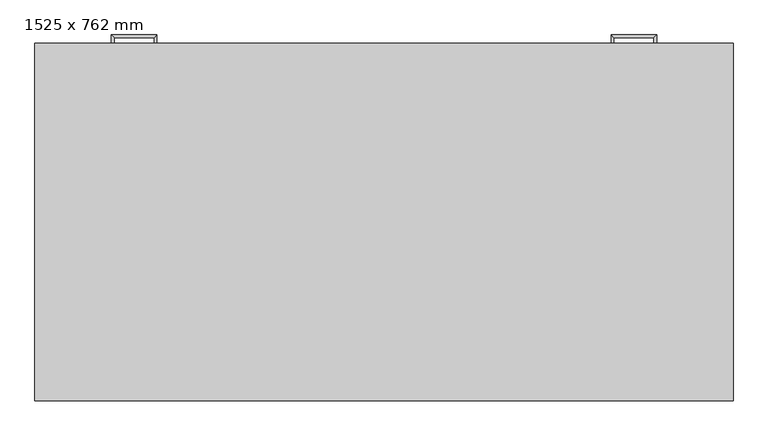
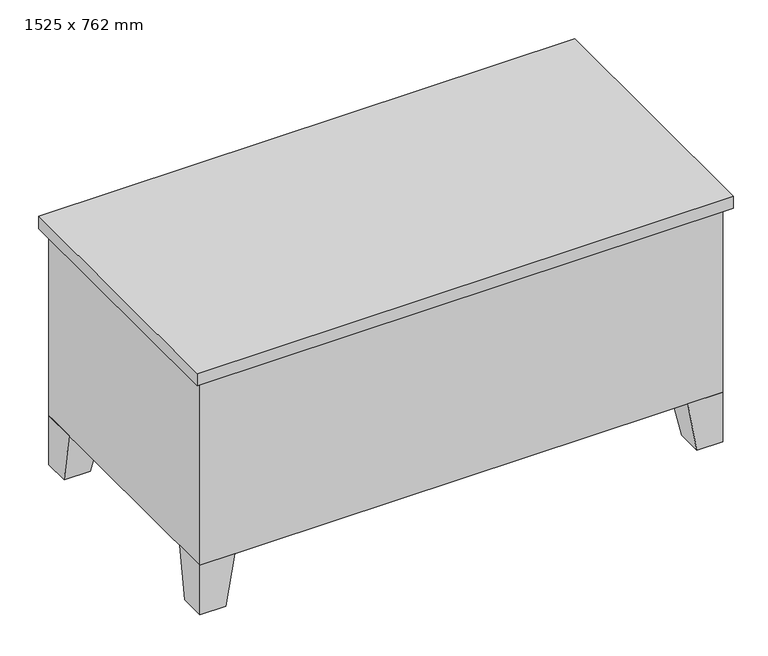
"""IFC4 building model written with IfcOpenShell, lengths in millimetres: furniture geometry, 1525 x 762 mm."""

from ifc_helpers import new_model, si_unit, frame, origin, place, context, project, spatial, polyline, outline, extrude, faceted_brep, source, transform, mapped, element, save


def furniture_1525_x_762_mm_aed207d5(model_context):
    return source(origin(), model_context, "Body", "SolidModel", [
        extrude(outline(polyline([(1505.95, 762.0), (1137.65, 762.0), (1137.65, 774.7), (1505.95, 774.7), (1505.95, 762.0)])), frame((0.0, 0.0, 603.25), z_axis=(0.0, 0.0, 1.0), x_axis=(1.0, 0.0, 0.0)), (0.0, 0.0, 1.0), 101.6),
        extrude(outline(polyline([(1505.95, 762.0), (1137.65, 762.0), (1137.65, 774.7), (1505.95, 774.7), (1505.95, 762.0)])), frame((0.0, 0.0, 171.05), z_axis=(0.0, 0.0, 1.0), x_axis=(1.0, 0.0, 0.0)), (0.0, 0.0, 1.0), 413.15),
        extrude(outline(polyline([(387.35, 762.0), (19.05, 762.0), (19.05, 774.7), (387.35, 774.7), (387.35, 762.0)])), frame((0.0, 0.0, 602.85), z_axis=(0.0, 0.0, 1.0), x_axis=(1.0, 0.0, 0.0)), (0.0, 0.0, 1.0), 102.0),
        extrude(outline(polyline([(387.35, 762.0), (19.05, 762.0), (19.05, 774.7), (387.35, 774.7), (387.35, 762.0)])), frame((0.0, 0.0, 171.05), z_axis=(0.0, 0.0, 1.0), x_axis=(1.0, 0.0, 0.0)), (0.0, 0.0, 1.0), 171.45),
        extrude(outline(polyline([(387.35, 762.0), (19.05, 762.0), (19.05, 774.7), (387.35, 774.7), (387.35, 762.0)])), frame((0.0, 0.0, 482.2), z_axis=(0.0, 0.0, 1.0), x_axis=(1.0, 0.0, 0.0)), (0.0, 0.0, 1.0), 101.6),
        extrude(outline(polyline([(387.35, 762.0), (19.05, 762.0), (19.05, 774.7), (387.35, 774.7), (387.35, 762.0)])), frame((0.0, 0.0, 361.55), z_axis=(0.0, 0.0, 1.0), x_axis=(1.0, 0.0, 0.0)), (0.0, 0.0, 1.0), 101.6),
        faceted_brep([(1423.4, 762.0, 152.0), (1423.4, 660.4, 152.0), (1525.0, 660.4, 152.0), (1525.0, 762.0, 152.0), (1448.8, 762.0, 0.0), (1525.0, 762.0, 0.0), (1525.0, 685.8, 0.0), (1448.8, 685.8, 0.0)], [[[0, 1, 2, 3]], [[4, 5, 6, 7]], [[4, 7, 1, 0]], [[7, 6, 2, 1]], [[6, 5, 3, 2]], [[5, 4, 0, 3]]]),
        faceted_brep([(1423.4, 0.0, 152.0), (1525.0, 0.0, 152.0), (1525.0, 101.6, 152.0), (1423.4, 101.6, 152.0), (1448.8, 0.0, 0.0), (1448.8, 76.2, 0.0), (1525.0, 76.2, 0.0), (1525.0, 0.0, 0.0)], [[[0, 1, 2, 3]], [[4, 5, 6, 7]], [[4, 7, 1, 0]], [[7, 6, 2, 1]], [[6, 5, 3, 2]], [[5, 4, 0, 3]]]),
        faceted_brep([(101.6, 0.0, 152.0), (101.6, 101.6, 152.0), (0.0, 101.6, 152.0), (0.0, 0.0, 152.0), (76.2, 0.0, 0.0), (0.0, 0.0, 0.0), (0.0, 76.2, 0.0), (76.2, 76.2, 0.0)], [[[0, 1, 2, 3]], [[4, 5, 6, 7]], [[4, 7, 1, 0]], [[7, 6, 2, 1]], [[6, 5, 3, 2]], [[5, 4, 0, 3]]]),
        faceted_brep([(101.6, 762.0, 152.0), (0.0, 762.0, 152.0), (0.0, 660.4, 152.0), (101.6, 660.4, 152.0), (76.2, 762.0, 0.0), (76.2, 685.8, 0.0), (0.0, 685.8, 0.0), (0.0, 762.0, 0.0)], [[[0, 1, 2, 3]], [[4, 5, 6, 7]], [[4, 7, 1, 0]], [[7, 6, 2, 1]], [[6, 5, 3, 2]], [[5, 4, 0, 3]]]),
        extrude(outline(polyline([(1544.05, 781.05), (1544.05, -19.05), (-19.05, -19.05), (-19.05, 781.05), (1544.05, 781.05)])), frame((0.0, 0.0, 723.9), z_axis=(0.0, 0.0, 1.0), x_axis=(1.0, 0.0, 0.0)), (0.0, 0.0, 1.0), 38.1),
        extrude(outline(polyline([(406.4, 762.0), (406.4, 50.8), (1118.6, 50.8), (1118.6, 762.0), (1525.0, 762.0), (1525.0, 0.0), (0.0, 0.0), (0.0, 762.0), (406.4, 762.0)])), frame((0.0, 0.0, 152.0), z_axis=(0.0, 0.0, 1.0), x_axis=(1.0, 0.0, 0.0)), (0.0, 0.0, 1.0), 571.9),
        faceted_brep([(1366.25, 774.7, 546.1), (1366.25, 774.7, 533.4), (1372.6, 774.7, 533.4), (1372.6, 774.7, 546.1), (1366.25, 793.75, 546.1), (1366.25, 793.75, 533.4), (1372.6, 800.1, 533.4), (1372.6, 800.1, 546.1), (1277.35, 793.75, 546.1), (1277.35, 793.75, 533.4), (1271.0, 800.1, 533.4), (1271.0, 800.1, 546.1), (1277.35, 774.7, 546.1), (1271.0, 774.7, 546.1), (1271.0, 774.7, 533.4), (1277.35, 774.7, 533.4)], [[[0, 1, 2, 3]], [[1, 0, 4, 5]], [[2, 1, 5, 6]], [[3, 2, 6, 7]], [[0, 3, 7, 4]], [[5, 4, 8, 9]], [[6, 5, 9, 10]], [[7, 6, 10, 11]], [[4, 7, 11, 8]], [[12, 13, 14, 15]], [[9, 8, 12, 15]], [[10, 9, 15, 14]], [[11, 10, 14, 13]], [[8, 11, 13, 12]]]),
        faceted_brep([(1366.25, 774.7, 666.75), (1366.25, 774.7, 654.05), (1372.6, 774.7, 654.05), (1372.6, 774.7, 666.75), (1366.25, 793.75, 666.75), (1366.25, 793.75, 654.05), (1372.6, 800.1, 654.05), (1372.6, 800.1, 666.75), (1277.35, 793.75, 666.75), (1277.35, 793.75, 654.05), (1271.0, 800.1, 654.05), (1271.0, 800.1, 666.75), (1277.35, 774.7, 666.75), (1271.0, 774.7, 666.75), (1271.0, 774.7, 654.05), (1277.35, 774.7, 654.05)], [[[0, 1, 2, 3]], [[1, 0, 4, 5]], [[2, 1, 5, 6]], [[3, 2, 6, 7]], [[0, 3, 7, 4]], [[5, 4, 8, 9]], [[6, 5, 9, 10]], [[7, 6, 10, 11]], [[4, 7, 11, 8]], [[12, 13, 14, 15]], [[9, 8, 12, 15]], [[10, 9, 15, 14]], [[11, 10, 14, 13]], [[8, 11, 13, 12]]]),
        faceted_brep([(158.75, 774.7, 304.8), (152.4, 774.7, 304.8), (152.4, 774.7, 292.1), (158.75, 774.7, 292.1), (158.75, 793.75, 304.8), (152.4, 800.1, 304.8), (152.4, 800.1, 292.1), (158.75, 793.75, 292.1), (247.65, 793.75, 304.8), (254.0, 800.1, 304.8), (254.0, 800.1, 292.1), (247.65, 793.75, 292.1), (247.65, 774.7, 304.8), (247.65, 774.7, 292.1), (254.0, 774.7, 292.1), (254.0, 774.7, 304.8)], [[[0, 1, 2, 3]], [[1, 0, 4, 5]], [[2, 1, 5, 6]], [[3, 2, 6, 7]], [[0, 3, 7, 4]], [[5, 4, 8, 9]], [[6, 5, 9, 10]], [[7, 6, 10, 11]], [[4, 7, 11, 8]], [[12, 13, 14, 15]], [[9, 8, 12, 15]], [[10, 9, 15, 14]], [[11, 10, 14, 13]], [[8, 11, 13, 12]]]),
        faceted_brep([(158.75, 774.7, 425.45), (152.4, 774.7, 425.45), (152.4, 774.7, 412.75), (158.75, 774.7, 412.75), (158.75, 793.75, 425.45), (152.4, 800.1, 425.45), (152.4, 800.1, 412.75), (158.75, 793.75, 412.75), (247.65, 793.75, 425.45), (254.0, 800.1, 425.45), (254.0, 800.1, 412.75), (247.65, 793.75, 412.75), (247.65, 774.7, 425.45), (247.65, 774.7, 412.75), (254.0, 774.7, 412.75), (254.0, 774.7, 425.45)], [[[0, 1, 2, 3]], [[1, 0, 4, 5]], [[2, 1, 5, 6]], [[3, 2, 6, 7]], [[0, 3, 7, 4]], [[5, 4, 8, 9]], [[6, 5, 9, 10]], [[7, 6, 10, 11]], [[4, 7, 11, 8]], [[12, 13, 14, 15]], [[9, 8, 12, 15]], [[10, 9, 15, 14]], [[11, 10, 14, 13]], [[8, 11, 13, 12]]]),
        faceted_brep([(158.75, 774.7, 546.1), (152.4, 774.7, 546.1), (152.4, 774.7, 533.4), (158.75, 774.7, 533.4), (158.75, 793.75, 546.1), (152.4, 800.1, 546.1), (152.4, 800.1, 533.4), (158.75, 793.75, 533.4), (247.65, 793.75, 546.1), (254.0, 800.1, 546.1), (254.0, 800.1, 533.4), (247.65, 793.75, 533.4), (247.65, 774.7, 546.1), (247.65, 774.7, 533.4), (254.0, 774.7, 533.4), (254.0, 774.7, 546.1)], [[[0, 1, 2, 3]], [[1, 0, 4, 5]], [[2, 1, 5, 6]], [[3, 2, 6, 7]], [[0, 3, 7, 4]], [[5, 4, 8, 9]], [[6, 5, 9, 10]], [[7, 6, 10, 11]], [[4, 7, 11, 8]], [[12, 13, 14, 15]], [[9, 8, 12, 15]], [[10, 9, 15, 14]], [[11, 10, 14, 13]], [[8, 11, 13, 12]]]),
        faceted_brep([(158.75, 774.7, 666.75), (152.4, 774.7, 666.75), (152.4, 774.7, 654.05), (158.75, 774.7, 654.05), (158.75, 793.75, 666.75), (152.4, 800.1, 666.75), (152.4, 800.1, 654.05), (158.75, 793.75, 654.05), (247.65, 793.75, 666.75), (254.0, 800.1, 666.75), (254.0, 800.1, 654.05), (247.65, 793.75, 654.05), (247.65, 774.7, 666.75), (247.65, 774.7, 654.05), (254.0, 774.7, 654.05), (254.0, 774.7, 666.75)], [[[0, 1, 2, 3]], [[1, 0, 4, 5]], [[2, 1, 5, 6]], [[3, 2, 6, 7]], [[0, 3, 7, 4]], [[5, 4, 8, 9]], [[6, 5, 9, 10]], [[7, 6, 10, 11]], [[4, 7, 11, 8]], [[12, 13, 14, 15]], [[9, 8, 12, 15]], [[10, 9, 15, 14]], [[11, 10, 14, 13]], [[8, 11, 13, 12]]]),
    ])


if __name__ == "__main__":
    model = new_model("IFC4")
    model_context = context("Model", 3, world=origin())
    ifc_project = project(units=[si_unit("LENGTHUNIT", "METRE", prefix="MILLI")], contexts=[model_context])
    site = spatial("IfcSite", under=ifc_project)
    building = spatial("IfcBuilding", under=site)
    placement = place(None, origin())
    furniture_1525_x_762_mm_shape = furniture_1525_x_762_mm_aed207d5(model_context)
    element("IfcFurniture", 1, ObjectType="1525 x 762 mm", at=placement, inside=building, context=model_context, shape_type="MappedRepresentation", body=[
        mapped(furniture_1525_x_762_mm_shape, transform((0.0, 0.0, 0.0), x_axis=(1.0, 0.0, 0.0), y_axis=(0.0, 1.0, 0.0), z_axis=(0.0, 0.0, 1.0))),
    ])
    save(model, "model.ifc")
